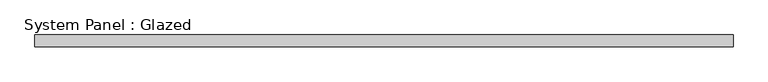
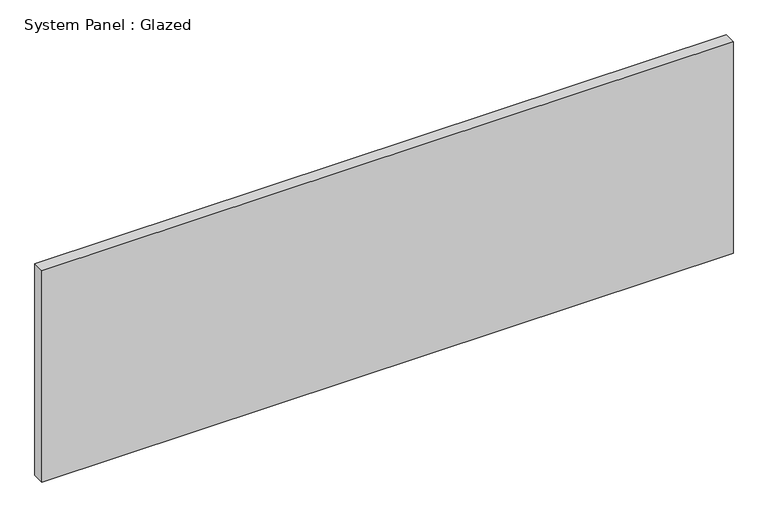
"""IFC4 building model written with IfcOpenShell, lengths in millimetres: plate geometry, System Panel : Glazed."""

from ifc_helpers import new_model, si_unit, origin, origin_with_axes, place, context, project, spatial, polyline, outline, extrude, source, transform, mapped, element, save


def system_panel_glazed_6413c261(model_context):
    return source(origin(), model_context, "Body", "SweptSolid", [
        extrude(outline(polyline([(736.6, -12.7), (-736.6, -12.7), (-736.6, 12.7), (736.6, 12.7), (736.6, -12.7)])), origin_with_axes(), (0.0, 0.0, 1.0), 476.25),
    ])


if __name__ == "__main__":
    model = new_model("IFC4")
    model_context = context("Model", 3, world=origin())
    ifc_project = project(units=[si_unit("LENGTHUNIT", "METRE", prefix="MILLI")], contexts=[model_context])
    site = spatial("IfcSite", under=ifc_project)
    building = spatial("IfcBuilding", under=site)
    placement = place(None, origin())
    system_panel_glazed_shape = system_panel_glazed_6413c261(model_context)
    element("IfcPlate", 1, ObjectType="System Panel : Glazed", at=placement, inside=building, context=model_context, shape_type="MappedRepresentation", body=[
        mapped(system_panel_glazed_shape, transform((0.0, 0.0, 0.0), x_axis=(1.0, 0.0, 0.0), y_axis=(0.0, 1.0, 0.0), z_axis=(0.0, 0.0, 1.0))),
    ])
    save(model, "model.ifc")
